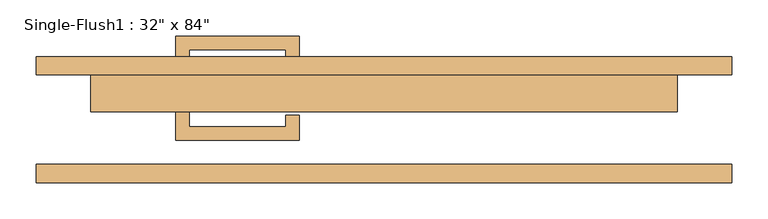
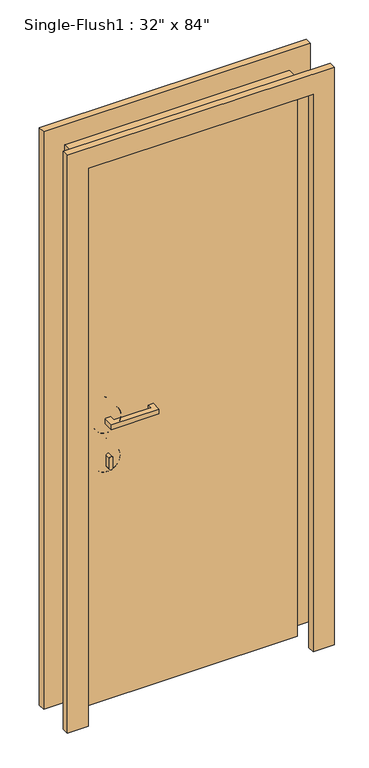
"""IFC4 building model written with IfcOpenShell, lengths in millimetres: door geometry."""

from ifc_helpers import new_model, si_unit, point, frame, frame_2d, origin, origin_with_axes, place, context, project, spatial, polyline, circle_curve, ellipse_curve, trimmed, segment, composite_curve, outline, extrude, source, transform, mapped, element, save
from ifc_brep_helpers import plane_surface, cylinder_surface, revolved_surface, advanced_brep


def door_6060f338(model_context):
    return source(origin(), model_context, "Body", "SolidModel", [
        extrude(outline(polyline([(-269.875, 12.7), (-269.875, -9.525), (-136.525, -9.525), (-136.525, 6.35), (-117.475, 6.35), (-117.475, -28.575), (-288.925, -28.575), (-288.925, 12.7), (-269.875, 12.7)])), frame((0.0, 0.0, 1057.275), z_axis=(0.0, 0.0, 1.0), x_axis=(1.0, 0.0, 0.0)), (0.0, 0.0, 1.0), 19.05),
        extrude(outline(composite_curve([segment(trimmed(circle_curve(frame_2d((895.35, -279.4)), 6.35), [point((895.35, -285.75))], [point((895.35, -273.05))], False, "CARTESIAN"), True, "CONTINUOUS"), segment(polyline([(895.35, -273.05), (933.45, -273.05)]), True, "CONTINUOUS"), segment(trimmed(circle_curve(frame_2d((933.45, -279.4)), 6.35), [point((933.45, -273.05))], [point((933.45, -285.75))], False, "CARTESIAN"), True, "CONTINUOUS"), segment(polyline([(933.45, -285.75), (895.35, -285.75)]), True, "CONTINUOUS")], self_intersect=False)), frame((0.0, -9.525, 0.0), z_axis=(0.0, 1.0, 0.0), x_axis=(0.0, 0.0, 1.0)), (0.0, 0.0, 1.0), 22.225),
        advanced_brep(
        [(-231.775, 15.875, 914.4), (-231.775, 25.4, 914.4), (-327.025, 25.4, 914.4), (-327.025, 15.875, 914.4), (-234.95, 12.7, 914.4), (-323.85, 12.7, 914.4), (-279.4, 12.7, 914.4), (-279.4, 25.4, 914.4)],
        [
            (0, 1),
            (1, 2, circle_curve(frame((-279.4, 25.4, 914.4), z_axis=(0.0, -1.0, 0.0), x_axis=(-1.0, 0.0, 0.0)), 47.625)),
            (2, 3),
            (3, 0, circle_curve(frame((-279.4, 15.875, 914.4), z_axis=(0.0, 1.0, 0.0), x_axis=(-1.0, 0.0, 0.0)), 47.625)),
            (2, 1, circle_curve(frame((-279.4, 25.4, 914.4), z_axis=(0.0, -1.0, 0.0), x_axis=(-1.0, 0.0, 0.0)), 47.625)),
            (0, 3, circle_curve(frame((-279.4, 15.875, 914.4), z_axis=(0.0, 1.0, 0.0), x_axis=(-1.0, 0.0, 0.0)), 47.625)),
            (4, 0, circle_curve(frame((-234.95, 15.875, 914.4), z_axis=(0.0, 0.0, 1.0), x_axis=(-1.0, 0.0, 0.0)), 3.175)),
            (3, 5, circle_curve(frame((-323.85, 15.875, 914.4), z_axis=(0.0, 0.0, 1.0), x_axis=(1.0, 0.0, 0.0)), 3.175)),
            (5, 4, circle_curve(frame((-279.4, 12.7, 914.4), z_axis=(0.0, 1.0, 0.0), x_axis=(-1.0, 0.0, 0.0)), 44.45)),
            (4, 5, circle_curve(frame((-279.4, 12.7, 914.4), z_axis=(0.0, 1.0, 0.0), x_axis=(-1.0, 0.0, 0.0)), 44.45)),
            (6, 4),
            (5, 6),
            (1, 7),
            (7, 2),
        ],
        [
            cylinder_surface(frame((-279.4, 152.4, 914.4), z_axis=(0.0, -1.0, 0.0), x_axis=(-1.0, 0.0, 0.0)), 47.625),
            revolved_surface(trimmed(ellipse_curve(frame((-323.85, 15.875, 914.4), z_axis=(0.0, 0.0, 1.0), x_axis=(1.0, 0.0, 0.0)), 3.175, 3.175), [point((-327.025, 15.875, 914.4))], [point((-323.85, 12.7, 914.4))], True, "CARTESIAN"), (-279.4, 152.4, 914.4), (0.0, -1.0, 0.0)),
            plane_surface(frame((-279.4, 12.7, 914.4), z_axis=(0.0, -1.0, 0.0), x_axis=(-1.0, 0.0, 0.0))),
            plane_surface(frame((-279.4, 25.4, 914.4), z_axis=(0.0, 1.0, 0.0), x_axis=(-1.0, 0.0, 0.0))),
        ],
        [
            (0, [[1, 2, 3, 4]]),
            (0, [[-3, 5, -1, 6]]),
            (1, [[7, -4, 8, 9]]),
            (1, [[-8, -6, -7, 10]]),
            (2, [[11, -9, 12]]),
            (2, [[-12, -10, -11]]),
            (3, [[13, 14, -2]]),
            (3, [[-14, -13, -5]]),
        ],
    ),
        advanced_brep(
        [(-228.6, 15.875, 1066.8), (-228.6, 25.4, 1066.8), (-330.2, 25.4, 1066.8), (-330.2, 15.875, 1066.8), (-231.775, 12.7, 1066.8), (-327.025, 12.7, 1066.8), (-279.4, 12.7, 1066.8), (-279.4, 25.4, 1066.8)],
        [
            (0, 1),
            (1, 2, circle_curve(frame((-279.4, 25.4, 1066.8), z_axis=(0.0, -1.0, 0.0), x_axis=(-1.0, 0.0, 0.0)), 50.8)),
            (2, 3),
            (3, 0, circle_curve(frame((-279.4, 15.875, 1066.8), z_axis=(0.0, 1.0, 0.0), x_axis=(-1.0, 0.0, 0.0)), 50.8)),
            (2, 1, circle_curve(frame((-279.4, 25.4, 1066.8), z_axis=(0.0, -1.0, 0.0), x_axis=(-1.0, 0.0, 0.0)), 50.8)),
            (0, 3, circle_curve(frame((-279.4, 15.875, 1066.8), z_axis=(0.0, 1.0, 0.0), x_axis=(-1.0, 0.0, 0.0)), 50.8)),
            (4, 0, circle_curve(frame((-231.775, 15.875, 1066.8), z_axis=(0.0, 0.0, 1.0), x_axis=(-1.0, 0.0, 0.0)), 3.175)),
            (3, 5, circle_curve(frame((-327.025, 15.875, 1066.8), z_axis=(0.0, 0.0, 1.0), x_axis=(1.0, 0.0, 0.0)), 3.175)),
            (5, 4, circle_curve(frame((-279.4, 12.7, 1066.8), z_axis=(0.0, 1.0, 0.0), x_axis=(-1.0, 0.0, 0.0)), 47.625)),
            (4, 5, circle_curve(frame((-279.4, 12.7, 1066.8), z_axis=(0.0, 1.0, 0.0), x_axis=(-1.0, 0.0, 0.0)), 47.625)),
            (6, 4),
            (5, 6),
            (1, 7),
            (7, 2),
        ],
        [
            cylinder_surface(frame((-279.4, 152.4, 1066.8), z_axis=(0.0, -1.0, 0.0), x_axis=(-1.0, 0.0, 0.0)), 50.8),
            revolved_surface(trimmed(ellipse_curve(frame((-327.025, 15.875, 1066.8), z_axis=(0.0, 0.0, 1.0), x_axis=(1.0, 0.0, 0.0)), 3.175, 3.175), [point((-330.2, 15.875, 1066.8))], [point((-327.025, 12.7, 1066.8))], True, "CARTESIAN"), (-279.4, 152.4, 1066.8), (0.0, -1.0, 0.0)),
            plane_surface(frame((-279.4, 12.7, 1066.8), z_axis=(0.0, -1.0, 0.0), x_axis=(-1.0, 0.0, 0.0))),
            plane_surface(frame((-279.4, 25.4, 1066.8), z_axis=(0.0, 1.0, 0.0), x_axis=(-1.0, 0.0, 0.0))),
        ],
        [
            (0, [[1, 2, 3, 4]]),
            (0, [[-3, 5, -1, 6]]),
            (1, [[7, -4, 8, 9]]),
            (1, [[-8, -6, -7, 10]]),
            (2, [[11, -9, 12]]),
            (2, [[-12, -10, -11]]),
            (3, [[13, 14, -2]]),
            (3, [[-14, -13, -5]]),
        ],
    ),
        extrude(outline(polyline([(-269.875, 74.6125), (-288.925, 74.6125), (-288.925, 115.8875), (-117.475, 115.8875), (-117.475, 80.9625), (-136.525, 80.9625), (-136.525, 96.8375), (-269.875, 96.8375), (-269.875, 74.6125)])), frame((0.0, 0.0, 1057.275), z_axis=(0.0, 0.0, 1.0), x_axis=(1.0, 0.0, 0.0)), (0.0, 0.0, 1.0), 19.05),
        extrude(outline(composite_curve([segment(trimmed(circle_curve(frame_2d((895.35, -279.4)), 6.35), [point((895.35, -285.75))], [point((895.35, -273.05))], False, "CARTESIAN"), True, "CONTINUOUS"), segment(polyline([(895.35, -273.05), (933.45, -273.05)]), True, "CONTINUOUS"), segment(trimmed(circle_curve(frame_2d((933.45, -279.4)), 6.35), [point((933.45, -273.05))], [point((933.45, -285.75))], False, "CARTESIAN"), True, "CONTINUOUS"), segment(polyline([(933.45, -285.75), (895.35, -285.75)]), True, "CONTINUOUS")], self_intersect=False)), frame((0.0, 74.6125, 0.0), z_axis=(0.0, 1.0, 0.0), x_axis=(0.0, 0.0, 1.0)), (0.0, 0.0, 1.0), 22.225),
        advanced_brep(
        [(-231.775, 71.4375, 914.4), (-327.025, 71.4375, 914.4), (-327.025, 61.9125, 914.4), (-231.775, 61.9125, 914.4), (-234.95, 74.6125, 914.4), (-323.85, 74.6125, 914.4), (-279.4, 74.6125, 914.4), (-279.4, 61.9125, 914.4)],
        [
            (0, 1, circle_curve(frame((-279.4, 71.4375, 914.4), z_axis=(0.0, -1.0, 0.0), x_axis=(-1.0, 0.0, 0.0)), 47.625)),
            (1, 2),
            (2, 3, circle_curve(frame((-279.4, 61.9125, 914.4), z_axis=(0.0, 1.0, 0.0), x_axis=(-1.0, 0.0, 0.0)), 47.625)),
            (3, 0),
            (1, 0, circle_curve(frame((-279.4, 71.4375, 914.4), z_axis=(0.0, -1.0, 0.0), x_axis=(-1.0, 0.0, 0.0)), 47.625)),
            (3, 2, circle_curve(frame((-279.4, 61.9125, 914.4), z_axis=(0.0, 1.0, 0.0), x_axis=(-1.0, 0.0, 0.0)), 47.625)),
            (4, 5, circle_curve(frame((-279.4, 74.6125, 914.4), z_axis=(0.0, -1.0, 0.0), x_axis=(-1.0, 0.0, 0.0)), 44.45)),
            (5, 1, circle_curve(frame((-323.85, 71.4375, 914.4), z_axis=(0.0, 0.0, 1.0), x_axis=(1.0, 0.0, 0.0)), 3.175)),
            (0, 4, circle_curve(frame((-234.95, 71.4375, 914.4), z_axis=(0.0, 0.0, 1.0), x_axis=(-1.0, 0.0, 0.0)), 3.175)),
            (5, 4, circle_curve(frame((-279.4, 74.6125, 914.4), z_axis=(0.0, -1.0, 0.0), x_axis=(-1.0, 0.0, 0.0)), 44.45)),
            (6, 5),
            (4, 6),
            (2, 7),
            (7, 3),
        ],
        [
            cylinder_surface(frame((-279.4, -65.0875, 914.4), z_axis=(0.0, 1.0, 0.0), x_axis=(-1.0, 0.0, 0.0)), 47.625),
            revolved_surface(trimmed(ellipse_curve(frame((-323.85, 71.4375, 914.4), z_axis=(0.0, 0.0, -1.0), x_axis=(1.0, 0.0, 0.0)), 3.175, 3.175), [point((-327.025, 71.4375, 914.4))], [point((-323.85, 74.6125, 914.4))], True, "CARTESIAN"), (-279.4, -65.0875, 914.4), (0.0, 1.0, 0.0)),
            plane_surface(frame((-279.4, 74.6125, 914.4), z_axis=(0.0, 1.0, 0.0), x_axis=(-1.0, 0.0, 0.0))),
            plane_surface(frame((-279.4, 61.9125, 914.4), z_axis=(0.0, -1.0, 0.0), x_axis=(-1.0, 0.0, 0.0))),
        ],
        [
            (0, [[1, 2, 3, 4]]),
            (0, [[5, -4, 6, -2]]),
            (1, [[7, 8, -1, 9]]),
            (1, [[10, -9, -5, -8]]),
            (2, [[11, -7, 12]]),
            (2, [[-12, -10, -11]]),
            (3, [[-3, 13, 14]]),
            (3, [[-6, -14, -13]]),
        ],
    ),
        advanced_brep(
        [(-228.6, 71.4375, 1066.8), (-330.2, 71.4375, 1066.8), (-330.2, 61.9125, 1066.8), (-228.6, 61.9125, 1066.8), (-231.775, 74.6125, 1066.8), (-327.025, 74.6125, 1066.8), (-279.4, 74.6125, 1066.8), (-279.4, 61.9125, 1066.8)],
        [
            (0, 1, circle_curve(frame((-279.4, 71.4375, 1066.8), z_axis=(0.0, -1.0, 0.0), x_axis=(-1.0, 0.0, 0.0)), 50.8)),
            (1, 2),
            (2, 3, circle_curve(frame((-279.4, 61.9125, 1066.8), z_axis=(0.0, 1.0, 0.0), x_axis=(-1.0, 0.0, 0.0)), 50.8)),
            (3, 0),
            (1, 0, circle_curve(frame((-279.4, 71.4375, 1066.8), z_axis=(0.0, -1.0, 0.0), x_axis=(-1.0, 0.0, 0.0)), 50.8)),
            (3, 2, circle_curve(frame((-279.4, 61.9125, 1066.8), z_axis=(0.0, 1.0, 0.0), x_axis=(-1.0, 0.0, 0.0)), 50.8)),
            (4, 5, circle_curve(frame((-279.4, 74.6125, 1066.8), z_axis=(0.0, -1.0, 0.0), x_axis=(-1.0, 0.0, 0.0)), 47.625)),
            (5, 1, circle_curve(frame((-327.025, 71.4375, 1066.8), z_axis=(0.0, 0.0, 1.0), x_axis=(1.0, 0.0, 0.0)), 3.175)),
            (0, 4, circle_curve(frame((-231.775, 71.4375, 1066.8), z_axis=(0.0, 0.0, 1.0), x_axis=(-1.0, 0.0, 0.0)), 3.175)),
            (5, 4, circle_curve(frame((-279.4, 74.6125, 1066.8), z_axis=(0.0, -1.0, 0.0), x_axis=(-1.0, 0.0, 0.0)), 47.625)),
            (6, 5),
            (4, 6),
            (2, 7),
            (7, 3),
        ],
        [
            cylinder_surface(frame((-279.4, -65.0875, 1066.8), z_axis=(0.0, 1.0, 0.0), x_axis=(-1.0, 0.0, 0.0)), 50.8),
            revolved_surface(trimmed(ellipse_curve(frame((-327.025, 71.4375, 1066.8), z_axis=(0.0, 0.0, -1.0), x_axis=(1.0, 0.0, 0.0)), 3.175, 3.175), [point((-330.2, 71.4375, 1066.8))], [point((-327.025, 74.6125, 1066.8))], True, "CARTESIAN"), (-279.4, -65.0875, 1066.8), (0.0, 1.0, 0.0)),
            plane_surface(frame((-279.4, 74.6125, 1066.8), z_axis=(0.0, 1.0, 0.0), x_axis=(-1.0, 0.0, 0.0))),
            plane_surface(frame((-279.4, 61.9125, 1066.8), z_axis=(0.0, -1.0, 0.0), x_axis=(-1.0, 0.0, 0.0))),
        ],
        [
            (0, [[1, 2, 3, 4]]),
            (0, [[5, -4, 6, -2]]),
            (1, [[7, 8, -1, 9]]),
            (1, [[10, -9, -5, -8]]),
            (2, [[11, -7, 12]]),
            (2, [[-12, -10, -11]]),
            (3, [[-3, 13, 14]]),
            (3, [[-6, -14, -13]]),
        ],
    ),
        extrude(outline(polyline([(2209.8, -482.6), (0.0, -482.6), (0.0, -406.4), (2133.6, -406.4), (2133.6, 406.4), (0.0, 406.4), (0.0, 482.6), (2209.8, 482.6), (2209.8, -482.6)])), frame((0.0, 61.9125, 0.0), z_axis=(0.0, 1.0, 0.0), x_axis=(0.0, 0.0, 1.0)), (0.0, 0.0, 1.0), 25.4),
        extrude(outline(polyline([(2209.8, 482.6), (2209.8, -482.6), (0.0, -482.6), (0.0, -406.4), (2133.6, -406.4), (2133.6, 406.4), (0.0, 406.4), (0.0, 482.6), (2209.8, 482.6)])), frame((0.0, -87.3125, 0.0), z_axis=(0.0, 1.0, 0.0), x_axis=(0.0, 0.0, 1.0)), (0.0, 0.0, 1.0), 25.4),
        extrude(outline(polyline([(406.4, 11.1125), (-406.4, 11.1125), (-406.4, 61.9125), (406.4, 61.9125), (406.4, 11.1125)])), origin_with_axes(), (0.0, 0.0, 1.0), 2133.6),
    ])


if __name__ == "__main__":
    model = new_model("IFC4")
    model_context = context("Model", 3, world=origin())
    ifc_project = project(units=[si_unit("LENGTHUNIT", "METRE", prefix="MILLI")], contexts=[model_context])
    site = spatial("IfcSite", under=ifc_project)
    building = spatial("IfcBuilding", under=site)
    placement = place(None, origin())
    door_shape = door_6060f338(model_context)
    element("IfcDoor", 1, ObjectType="Single-Flush1 : 32\" x 84\"", at=placement, inside=building, context=model_context, shape_type="MappedRepresentation", body=[
        mapped(door_shape, transform((0.0, 0.0, 0.0), x_axis=(1.0, 0.0, 0.0), y_axis=(0.0, 1.0, 0.0), z_axis=(0.0, 0.0, 1.0))),
    ])
    save(model, "model.ifc")
